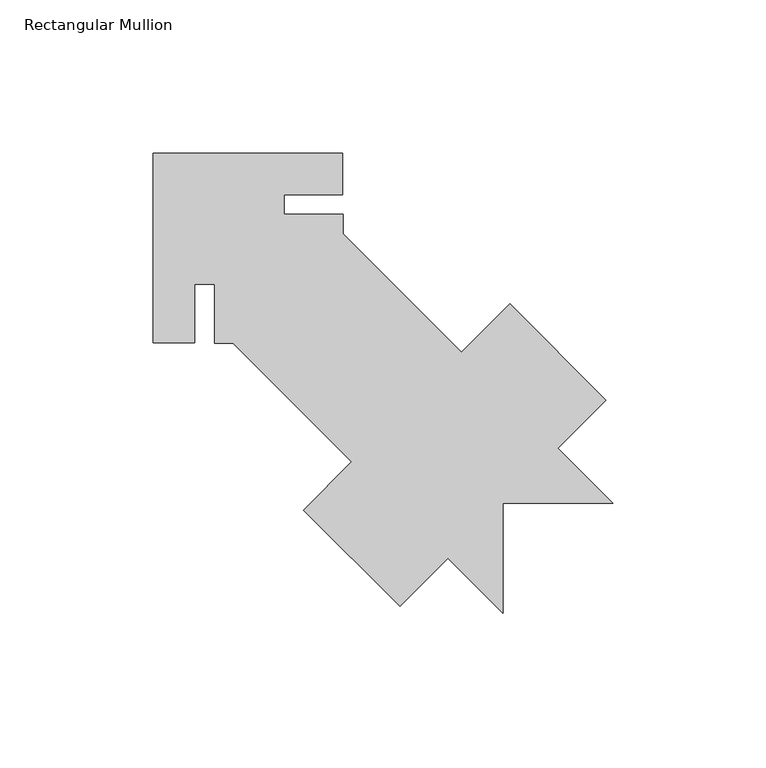
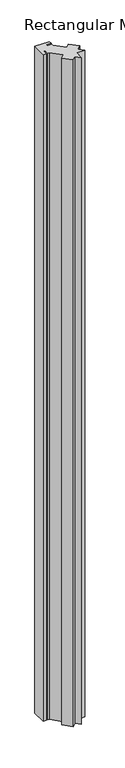
"""IFC4 building model written with IfcOpenShell, lengths in millimetres: member geometry, Rectangular Mullion."""

import ifcopenshell
import ifcopenshell.guid

model = None  # the IFC model being written
_history = None  # IfcOwnerHistory: only IFC2X3 demands one
_inside = {}  # id of a spatial element -> (the spatial element, [elements in it])
_under = {}  # id of a project, library or spatial element -> (it, [spatial elements below it])
_declared = {}  # id of a project -> (the project, [libraries it declares])
_typed = {}  # id of a type object -> (the type object, [elements of that type])
_made_of = {}  # id of a material, layer set ... -> (it, [elements and type objects made of it])


def new_model(schema):
    """Start an empty IFC model of exactly this schema.

    Asked for "IFC4X3", IfcOpenShell would pick the latest addendum, in which some entities
    have other attributes; the version numbers below select the first issue.
    IFC2X3 requires an IfcOwnerHistory on every rooted entity: one is made here for all.
    """
    global model, _history
    if schema == "IFC4X3":
        model = ifcopenshell.file(schema_version=(4, 3, 0, 0))
    else:
        model = ifcopenshell.file(schema=schema)
    _inside.clear()
    _under.clear()
    _declared.clear()
    _typed.clear()
    _made_of.clear()
    _history = None
    if model.schema == "IFC2X3":
        org = make("IfcOrganization", Name="unknown")
        user = make(
            "IfcPersonAndOrganization",
            ThePerson=make("IfcPerson", FamilyName="unknown"),
            TheOrganization=org,
        )
        app = make(
            "IfcApplication",
            ApplicationDeveloper=org,
            Version="unknown",
            ApplicationFullName="unknown",
            ApplicationIdentifier="unknown",
        )
        _history = make(
            "IfcOwnerHistory",
            OwningUser=user,
            OwningApplication=app,
            ChangeAction="ADDED",
            CreationDate=0,
        )
    return model


def make(cls, **values):
    """One entity of the class cls with the attributes given. An attribute that is None is left unset."""
    return model.create_entity(
        cls, **{name: value for name, value in values.items() if value is not None}
    )


def rooted(cls, **values):
    """An entity with a GlobalId (a new one), such as an element, a storey or a relation."""
    return make(cls, GlobalId=ifcopenshell.guid.new(), OwnerHistory=_history, **values)


def si_unit(unit_type, name, prefix=None):
    """IfcSIUnit, for example si_unit("LENGTHUNIT", "METRE", prefix="MILLI")."""
    return make("IfcSIUnit", UnitType=unit_type, Prefix=prefix, Name=name)


def assignment(units):
    """IfcUnitAssignment: the units of a project."""
    return None if units is None else make("IfcUnitAssignment", Units=units)


def point(xyz):
    """IfcCartesianPoint."""
    return None if xyz is None else make("IfcCartesianPoint", Coordinates=xyz)


def direction(xyz):
    """IfcDirection."""
    return None if xyz is None else make("IfcDirection", DirectionRatios=xyz)


def frame(location, z_axis=None, x_axis=None):
    """IfcAxis2Placement3D, a coordinate frame: its origin and axes. An axis left out is left unset."""
    return make(
        "IfcAxis2Placement3D",
        Location=point(location),
        Axis=direction(z_axis),
        RefDirection=direction(x_axis),
    )


def origin():
    """The frame at (0, 0, 0) with its axes left unset."""
    return frame((0.0, 0.0, 0.0))


def place(relative_to, where):
    """IfcLocalPlacement: puts the frame where relative to a parent placement (None: the world)."""
    return make(
        "IfcLocalPlacement", PlacementRelTo=relative_to, RelativePlacement=where
    )


def context(
    kind, dimensions, precision=None, world=None, true_north=None, identifier=None
):
    """IfcGeometricRepresentationContext, for example the 3D "Model" context."""
    return make(
        "IfcGeometricRepresentationContext",
        ContextIdentifier=identifier,
        ContextType=kind,
        CoordinateSpaceDimension=dimensions,
        Precision=precision,
        WorldCoordinateSystem=world,
        TrueNorth=true_north,
    )


def project(units=None, contexts=None):
    """IfcProject with its units and contexts."""
    return rooted(
        "IfcProject",
        Name="project",
        RepresentationContexts=contexts,
        UnitsInContext=assignment(units),
    )


def spatial(cls, under=None, at=None, **own):
    """A site, building, storey or space (cls), placed at a placement, below another one or the project."""
    s = rooted(cls, ObjectPlacement=at, **own)
    if under is not None:
        _under.setdefault(under.id(), (under, []))[1].append(s)
    return s


def polyline(points):
    """IfcPolyline through the points."""
    return make("IfcPolyline", Points=[point(p) for p in points])


def outline(outer, holes=None, kind="AREA"):
    """IfcArbitraryClosedProfileDef: a profile drawn as a closed curve; with holes, ...WithVoids."""
    if holes is None:
        return make("IfcArbitraryClosedProfileDef", ProfileType=kind, OuterCurve=outer)
    return make(
        "IfcArbitraryProfileDefWithVoids",
        ProfileType=kind,
        OuterCurve=outer,
        InnerCurves=holes,
    )


def extrude(swept, where, along, depth):
    """IfcExtrudedAreaSolid: the profile swept, set in the frame where, extruded along a direction by depth."""
    return make(
        "IfcExtrudedAreaSolid",
        SweptArea=swept,
        Position=where,
        ExtrudedDirection=direction(along),
        Depth=depth,
    )


def shape(context_of_items, identifier, shape_type, items):
    """IfcShapeRepresentation: the items that make up one representation, for example the "Body"."""
    return make(
        "IfcShapeRepresentation",
        ContextOfItems=context_of_items,
        RepresentationIdentifier=identifier,
        RepresentationType=shape_type,
        Items=items,
    )


def source(mapping_origin, context_of_items, identifier, shape_type, items):
    """IfcRepresentationMap: a shape defined once, which mapped items show again and again."""
    return make(
        "IfcRepresentationMap",
        MappingOrigin=mapping_origin,
        MappedRepresentation=shape(context_of_items, identifier, shape_type, items),
    )


def transform(
    local_origin,
    x_axis=None,
    y_axis=None,
    z_axis=None,
    scale=None,
    scale2=None,
    scale3=None,
    uniform=True,
):
    """IfcCartesianTransformationOperator3D, or its non-uniform kind. x_axis, y_axis, z_axis: its Axis1, 2, 3."""
    if uniform:
        return make(
            "IfcCartesianTransformationOperator3D",
            Axis1=direction(x_axis),
            Axis2=direction(y_axis),
            LocalOrigin=point(local_origin),
            Scale=scale,
            Axis3=direction(z_axis),
        )
    return make(
        "IfcCartesianTransformationOperator3DnonUniform",
        Axis1=direction(x_axis),
        Axis2=direction(y_axis),
        LocalOrigin=point(local_origin),
        Scale=scale,
        Axis3=direction(z_axis),
        Scale2=scale2,
        Scale3=scale3,
    )


def mapped(mapping_source, mapping_target):
    """IfcMappedItem: shows the shape of a source again, moved by a transform."""
    return make(
        "IfcMappedItem", MappingSource=mapping_source, MappingTarget=mapping_target
    )


def made_of(thing, what):
    """Note that an element or type object is made of a material, layer set ...; save() writes the relation."""
    if what is not None:
        _made_of.setdefault(what.id(), (what, []))[1].append(thing)
    return thing


def element(
    cls,
    number,
    at=None,
    inside=None,
    cuts=None,
    type_object=None,
    material=None,
    context=None,
    identifier="Body",
    shape_type=None,
    held_by="IfcProductDefinitionShape",
    body=None,
    shapes=None,
    **own,
):
    """One element of the class cls, such as IfcWall. Its Tag is "e" and its number.

    at: its placement. inside: the storey or other place that contains it. cuts: it is an
    opening in that element (IfcRelVoidsElement). A single representation is given by context,
    identifier, shape_type and body (its items); several are given by shapes. held_by: the class
    of the entity that holds the representations. save() writes the other relations.
    """
    e = rooted(cls, Tag="e%d" % number, ObjectPlacement=at, **own)
    if body is not None:
        shapes = [shape(context, identifier, shape_type, body)]
    if shapes is not None:
        e.Representation = make(held_by, Representations=shapes)
    if inside is not None:
        _inside.setdefault(inside.id(), (inside, []))[1].append(e)
    if cuts is not None:
        rooted(
            "IfcRelVoidsElement", RelatingBuildingElement=cuts, RelatedOpeningElement=e
        )
    if type_object is not None:
        _typed.setdefault(type_object.id(), (type_object, []))[1].append(e)
    return made_of(e, material)


def aggregate(whole, parts):
    """IfcRelAggregates: a whole, such as a stair, and the parts it consists of."""
    return rooted("IfcRelAggregates", RelatingObject=whole, RelatedObjects=parts)


def save(model, path):
    """Write the relations noted so far, then the file.

    IfcRelAggregates (storeys below a building ...), IfcRelContainedInSpatialStructure (elements
    in a storey), IfcRelDefinesByType, IfcRelAssociatesMaterial and IfcRelDeclares: one each for
    every whole, place, type object, material and project.
    """
    for whole, parts in _under.values():
        aggregate(whole, parts)
    for where, things in _inside.values():
        rooted(
            "IfcRelContainedInSpatialStructure",
            RelatedElements=things,
            RelatingStructure=where,
        )
    for kind, things in _typed.values():
        rooted("IfcRelDefinesByType", RelatedObjects=things, RelatingType=kind)
    for what, things in _made_of.values():
        rooted("IfcRelAssociatesMaterial", RelatedObjects=things, RelatingMaterial=what)
    for by, libraries in _declared.values():
        rooted("IfcRelDeclares", RelatingContext=by, RelatedDefinitions=libraries)
    model.write(path)


def rectangular_mullion_3ee19c6f(model_context):
    return source(origin(), model_context, "Body", "SweptSolid", [
        extrude(outline(polyline([(-88.0535852, -26.3463846), (-49.3714417, -65.0285281), (-33.6485278, -49.3056098), (-2.2176271, -80.736502), (-17.9405453, -96.4594245), (0.0, -114.3999698), (-35.9053472, -114.3996972), (-35.9053967, -150.3213069), (-53.867255, -132.3594437), (-69.5827054, -148.0748897), (-101.0135975, -116.643989), (-85.2981472, -100.928543), (-123.9881789, -62.2385007), (-130.0648004, -62.2385007), (-130.0648004, -42.8664877), (-136.5883235, -42.8664877), (-136.5883235, -62.0121623), (-150.2053462, -62.0117188), (-150.2053462, -0.0992188), (-88.2937919, -0.0992188), (-88.2939047, -13.7171872), (-107.4390608, -13.7171872), (-107.4390608, -20.1080148), (-88.0535852, -20.1080148), (-88.0535852, -26.3463846)])), frame((0.0, 0.0, -3048.0), z_axis=(0.0, 0.0, 1.0), x_axis=(1.0, 0.0, 0.0)), (0.0, 0.0, 1.0), 3048.0),
    ])


if __name__ == "__main__":
    model = new_model("IFC4")
    model_context = context("Model", 3, world=origin())
    ifc_project = project(units=[si_unit("LENGTHUNIT", "METRE", prefix="MILLI")], contexts=[model_context])
    site = spatial("IfcSite", under=ifc_project)
    building = spatial("IfcBuilding", under=site)
    placement = place(None, origin())
    rectangular_mullion_shape = rectangular_mullion_3ee19c6f(model_context)
    element("IfcMember", 1, ObjectType="Rectangular Mullion", at=placement, inside=building, context=model_context, shape_type="MappedRepresentation", body=[
        mapped(rectangular_mullion_shape, transform((0.0, 0.0, 0.0), x_axis=(1.0, 0.0, 0.0), y_axis=(0.0, 1.0, 0.0), z_axis=(0.0, 0.0, 1.0))),
    ])
    save(model, "model.ifc")
